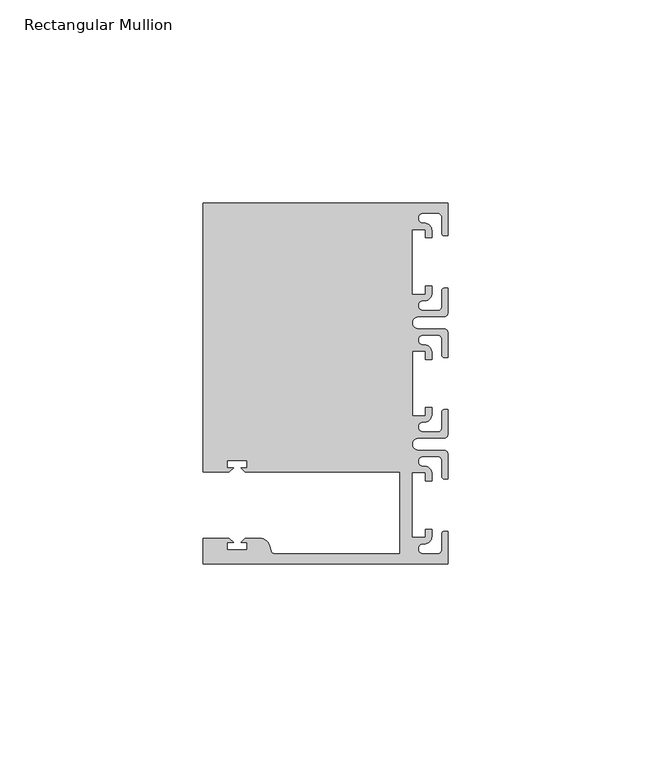
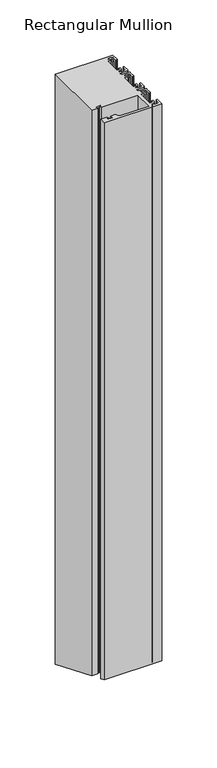
"""IFC4 building model written with IfcOpenShell, lengths in millimetres: member geometry, Rectangular Mullion."""

from ifc_helpers import new_model, si_unit, frame, origin, place, context, project, spatial, polyline, circle_curve, ellipse_curve, source, transform, mapped, element, save
from ifc_brep_helpers import plane_surface, cylinder_surface, revolved_surface, advanced_brep


def rectangular_mullion_aaa263b3(model_context):
    return source(origin(), model_context, "Body", "AdvancedBrep", [
        advanced_brep(
        [(0.0, -44.45, 0.0), (0.0, -36.4500318, 0.0), (-1.0, -36.4500318, 0.0), (-1.5, -36.9500318, 0.0), (-1.5, -40.95, 0.0), (-2.5, -41.95, 0.0), (-6.0499986, -41.95, 0.0), (-5.9027291, -39.4587029, 0.0), (-4.0000054, -37.7499972, 0.0), (-4.0000054, -35.9500318, 0.0), (-5.5, -35.9500318, 0.0), (-5.5, -37.9499972, 0.0), (-8.8585786, -37.9499972, 0.0), (-8.8585786, -21.9499956, 0.0), (-5.5, -21.9499956, 0.0), (-5.5, -23.9499611, 0.0), (-3.9999946, -23.9499611, 0.0), (-3.9999946, -22.0272972, 0.0), (-6.0499986, -20.4499956, 0.0), (-6.0499986, -17.9499929, 0.0), (-2.5, -17.9499929, 0.0), (-1.5, -18.9499929, 0.0), (-1.5, -22.9499611, 0.0), (-1.0, -23.4499611, 0.0), (0.0, -23.4499611, 0.0), (0.0, -17.4499929, 0.0), (-1.0, -16.4499929, 0.0), (-7.3, -16.4499929, 0.0), (-7.3046244, -13.45, 0.0), (-1.0, -13.45, 0.0), (0.0, -12.45, 0.0), (0.0, -6.4500354, 0.0), (-0.9999964, -6.4500354, 0.0), (-1.4999964, -6.9500354, 0.0), (-1.4999964, -10.95, 0.0), (-2.4999964, -11.95, 0.0), (-6.0499986, -11.95, 0.0), (-6.0499986, -9.4499972, 0.0), (-4.0000054, -7.7499972, 0.0), (-4.0000054, -5.9500318, 0.0), (-5.5, -5.9500318, 0.0), (-5.5, -7.9499972, 0.0), (-8.8, -7.9499972, 0.0), (-8.8, 7.9499972, 0.0), (-5.5, 7.9499972, 0.0), (-5.5, 5.9500318, 0.0), (-4.0000054, 5.9500318, 0.0), (-4.0000054, 7.7499972, 0.0), (-6.0499986, 9.4499972, 0.0), (-6.0499986, 11.95, 0.0), (-2.4999964, 11.95, 0.0), (-1.4999964, 10.95, 0.0), (-1.4999964, 6.9500354, 0.0), (-0.9999964, 6.4500354, 0.0), (0.0, 6.4500354, 0.0), (0.0, 12.45, 0.0), (-1.0, 13.45, 0.0), (-7.3046244, 13.45, 0.0), (-7.3, 16.4499929, 0.0), (-1.0, 16.4499929, 0.0), (0.0, 17.4499929, 0.0), (0.0, 23.4499611, 0.0), (-1.0, 23.4499611, 0.0), (-1.5, 22.9499611, 0.0), (-1.5, 18.9499929, 0.0), (-2.5, 17.9499929, 0.0), (-6.0499986, 17.9499929, 0.0), (-6.0499986, 20.4499956, 0.0), (-3.9999946, 22.0272972, 0.0), (-3.9999946, 23.9499611, 0.0), (-5.5, 23.9499611, 0.0), (-5.5, 21.9499956, 0.0), (-8.8585786, 21.9499956, 0.0), (-8.8585786, 37.9499972, 0.0), (-5.5, 37.9499972, 0.0), (-5.5, 35.9500318, 0.0), (-4.0000054, 35.9500318, 0.0), (-4.0000054, 37.7499972, 0.0), (-5.9027291, 39.4587029, 0.0), (-6.0499986, 41.95, 0.0), (-2.5, 41.95, 0.0), (-1.5, 40.95, 0.0), (-1.5, 36.9500318, 0.0), (-1.0, 36.4500318, 0.0), (0.0, 36.4500318, 0.0), (0.0, 44.45, 0.0), (-60.325, 44.45, 0.0), (-60.325, -21.749999, 0.0), (-53.8507562, -21.749999, 0.0), (-52.8507405, -20.7499834, 0.0), (-54.4250134, -20.7499834, 0.0), (-54.4250134, -18.949936, 0.0), (-49.4250186, -18.949936, 0.0), (-49.4250186, -20.7499834, 0.0), (-50.999256, -20.7499834, 0.0), (-49.9992434, -21.7499959, 0.0), (-11.8, -21.7499959, 0.0), (-11.8, -41.95, 0.0), (-42.6099329, -41.95, 0.0), (-43.5758588, -41.2088192, 0.0), (-43.8989707, -40.002949, 0.0), (-46.3137853, -38.1499966, 0.0), (-49.9992503, -38.1499966, 0.0), (-50.999256, -39.1500023, 0.0), (-49.4249831, -39.1500023, 0.0), (-49.4249831, -40.9498819, 0.0), (-54.4249778, -40.9498819, 0.0), (-54.4249778, -39.1500023, 0.0), (-52.8507405, -39.1500023, 0.0), (-53.8507531, -38.1499897, 0.0), (-60.3249977, -38.1499897, 0.0), (-60.3249977, -44.45, 0.0), (0.0, -44.45, -616.5882072), (0.0, -36.4500318, -619.9019025), (-1.0, -36.4500318, -619.9019025), (-1.5, -36.9500318, -619.6947957), (-1.5, -40.95, -618.0379546), (-2.5, -41.95, -617.6237411), (-6.0499986, -41.95, -617.6237411), (-5.9027291, -39.4587029, -618.6556701), (-4.0000054, -37.7499972, -619.3634392), (-4.0000054, -35.9500318, -620.1090093), (-5.5, -35.9500318, -620.1090093), (-5.5, -37.9499972, -619.2805964), (-8.8585786, -37.9499972, -619.2805964), (-8.8585786, -21.9499956, -625.9080141), (-5.5, -21.9499956, -625.9080141), (-5.5, -23.9499611, -625.0796013), (-3.9999946, -23.9499611, -625.0796013), (-3.9999946, -22.0272972, -625.8759947), (-6.0499986, -20.4499956, -626.5293345), (-6.0499986, -17.9499929, -627.5648695), (-2.5, -17.9499929, -627.5648695), (-1.5, -18.9499929, -627.1506559), (-1.5, -22.9499611, -625.4938149), (-1.0, -23.4499611, -625.2867081), (0.0, -23.4499611, -625.2867081), (0.0, -17.4499929, -627.7719763), (-1.0, -16.4499929, -628.1861899), (-7.3, -16.4499929, -628.1861899), (-7.3046244, -13.45, -629.4288276), (-1.0, -13.45, -629.4288276), (0.0, -12.45, -629.8430411), (0.0, -6.4500354, -632.3283079), (-0.9999964, -6.4500354, -632.3283079), (-1.4999964, -6.9500354, -632.1212011), (-1.4999964, -10.95, -630.4643615), (-2.4999964, -11.95, -630.0501479), (-6.0499986, -11.95, -630.0501479), (-6.0499986, -9.4499972, -631.085683), (-4.0000054, -7.7499972, -631.789846), (-4.0000054, -5.9500318, -632.5354161), (-5.5, -5.9500318, -632.5354161), (-5.5, -7.9499972, -631.7070033), (-8.8, -7.9499972, -631.7070033), (-8.8, 7.9499972, -638.2929967), (-5.5, 7.9499972, -638.2929967), (-5.5, 5.9500318, -637.4645839), (-4.0000054, 5.9500318, -637.4645839), (-4.0000054, 7.7499972, -638.210154), (-6.0499986, 9.4499972, -638.914317), (-6.0499986, 11.95, -639.9498521), (-2.4999964, 11.95, -639.9498521), (-1.4999964, 10.95, -639.5356385), (-1.4999964, 6.9500354, -637.8787989), (-0.9999964, 6.4500354, -637.6716921), (0.0, 6.4500354, -637.6716921), (0.0, 12.45, -640.1569589), (-1.0, 13.45, -640.5711724), (-7.3046244, 13.45, -640.5711724), (-7.3, 16.4499929, -641.8138101), (-1.0, 16.4499929, -641.8138101), (0.0, 17.4499929, -642.2280237), (0.0, 23.4499611, -644.7132919), (-1.0, 23.4499611, -644.7132919), (-1.5, 22.9499611, -644.5061851), (-1.5, 18.9499929, -642.8493441), (-2.5, 17.9499929, -642.4351305), (-6.0499986, 17.9499929, -642.4351305), (-6.0499986, 20.4499956, -643.4706655), (-3.9999946, 22.0272972, -644.1240053), (-3.9999946, 23.9499611, -644.9203987), (-5.5, 23.9499611, -644.9203987), (-5.5, 21.9499956, -644.0919859), (-8.8585786, 21.9499956, -644.0919859), (-8.8585786, 37.9499972, -650.7194036), (-5.5, 37.9499972, -650.7194036), (-5.5, 35.9500318, -649.8909907), (-4.0000054, 35.9500318, -649.8909907), (-4.0000054, 37.7499972, -650.6365608), (-5.9027291, 39.4587029, -651.3443299), (-6.0499986, 41.95, -652.3762589), (-2.5, 41.95, -652.3762589), (-1.5, 40.95, -651.9620454), (-1.5, 36.9500318, -650.3052043), (-1.0, 36.4500318, -650.0980975), (0.0, 36.4500318, -650.0980975), (0.0, 44.45, -653.4117928), (-60.325, 44.45, -653.4117928), (-60.325, -21.749999, -625.9908554), (-53.8507562, -21.749999, -625.9908554), (-52.8507405, -20.7499834, -626.4050755), (-54.4250134, -20.7499834, -626.4050755), (-54.4250134, -18.949936, -627.1506795), (-49.4250186, -18.949936, -627.1506795), (-49.4250186, -20.7499834, -626.4050755), (-50.999256, -20.7499834, -626.4050755), (-49.9992434, -21.7499959, -625.9908567), (-11.8, -21.7499959, -625.9908567), (-11.8, -41.95, -617.6237411), (-42.6099329, -41.95, -617.623741), (-43.5758588, -41.2088192, -617.9307482), (-43.8989707, -40.002949, -618.430236), (-46.3137853, -38.1499966, -619.197754), (-49.9992503, -38.1499966, -619.197754), (-50.999256, -39.1500023, -618.7835381), (-49.4249831, -39.1500023, -618.7835381), (-49.4249831, -40.9498819, -618.0380035), (-54.4249778, -40.9498819, -618.0380035), (-54.4249778, -39.1500023, -618.7835381), (-52.8507405, -39.1500023, -618.7835381), (-53.8507531, -38.1499897, -619.1977569), (-60.3249977, -38.1499897, -619.1977569), (-60.3249977, -44.45, -616.5882072)],
        [
            (0, 1),
            (1, 2),
            (2, 3, circle_curve(frame((-1.0, -36.9500318, 0.0), z_axis=(0.0, 0.0, 1.0), x_axis=(0.0, 1.0, 0.0)), 0.5)),
            (3, 4),
            (4, 5, circle_curve(frame((-2.5, -40.95, 0.0), z_axis=(0.0, 0.0, -1.0), x_axis=(0.0, 1.0, 0.0)), 1.0)),
            (5, 6),
            (6, 7, circle_curve(frame((-6.0499986, -40.6999986, 0.0), z_axis=(0.0, 0.0, -1.0), x_axis=(0.0, 1.0, 0.0)), 1.2500014)),
            (7, 8, circle_curve(frame((-5.7186029, -37.7499972, 0.0), z_axis=(0.0, 0.0, 1.0), x_axis=(1.0, 0.0, 0.0)), 1.7185975)),
            (8, 9),
            (9, 10),
            (10, 11),
            (11, 12),
            (12, 13),
            (13, 14),
            (14, 15),
            (15, 16),
            (16, 17),
            (17, 18, circle_curve(frame((-5.7543344, -22.1865598, 0.0), z_axis=(0.0, 0.0, 1.0), x_axis=(1.0, 0.0, 0.0)), 1.761554)),
            (18, 19, circle_curve(frame((-6.0499986, -19.1999942, 0.0), z_axis=(0.0, 0.0, -1.0), x_axis=(0.0, 1.0, 0.0)), 1.2500014)),
            (19, 20),
            (20, 21, circle_curve(frame((-2.5, -18.9499929, 0.0), z_axis=(0.0, 0.0, -1.0), x_axis=(0.0, 1.0, 0.0)), 1.0)),
            (21, 22),
            (22, 23, circle_curve(frame((-1.0, -22.9499611, 0.0), z_axis=(0.0, 0.0, 1.0), x_axis=(0.0, 1.0, 0.0)), 0.5)),
            (23, 24),
            (24, 25),
            (25, 26, circle_curve(frame((-1.0, -17.4499929, 0.0), z_axis=(0.0, 0.0, 1.0), x_axis=(0.0, 1.0, 0.0)), 1.0)),
            (26, 27),
            (27, 28, circle_curve(frame((-7.3, -14.9499929, 0.0), z_axis=(0.0, 0.0, -1.0), x_axis=(0.0, 1.0, 0.0)), 1.5)),
            (28, 29),
            (29, 30, circle_curve(frame((-1.0, -12.45, 0.0), z_axis=(0.0, 0.0, 1.0), x_axis=(0.0, 1.0, 0.0)), 1.0)),
            (30, 31),
            (31, 32),
            (32, 33, circle_curve(frame((-0.9999964, -6.9500354, 0.0), z_axis=(0.0, 0.0, 1.0), x_axis=(0.0, 1.0, 0.0)), 0.5)),
            (33, 34),
            (34, 35, circle_curve(frame((-2.4999964, -10.95, 0.0), z_axis=(0.0, 0.0, -1.0), x_axis=(0.0, 1.0, 0.0)), 1.0)),
            (35, 36),
            (36, 37, circle_curve(frame((-6.0499986, -10.6999986, 0.0), z_axis=(0.0, 0.0, -1.0), x_axis=(0.0, 1.0, 0.0)), 1.2500014)),
            (37, 38, circle_curve(frame((-5.7298824, -7.7499972, 0.0), z_axis=(0.0, 0.0, 1.0), x_axis=(1.0, 0.0, 0.0)), 1.729877)),
            (38, 39),
            (39, 40),
            (40, 41),
            (41, 42),
            (42, 43),
            (43, 44),
            (44, 45),
            (45, 46),
            (46, 47),
            (47, 48, circle_curve(frame((-5.7298824, 7.7499972, 0.0), z_axis=(0.0, 0.0, 1.0), x_axis=(1.0, 0.0, 0.0)), 1.729877)),
            (48, 49, circle_curve(frame((-6.0499986, 10.6999986, 0.0), z_axis=(0.0, 0.0, -1.0), x_axis=(0.0, -1.0, 0.0)), 1.2500014)),
            (49, 50),
            (50, 51, circle_curve(frame((-2.4999964, 10.95, 0.0), z_axis=(0.0, 0.0, -1.0), x_axis=(0.0, -1.0, 0.0)), 1.0)),
            (51, 52),
            (52, 53, circle_curve(frame((-0.9999964, 6.9500354, 0.0), z_axis=(0.0, 0.0, 1.0), x_axis=(0.0, -1.0, 0.0)), 0.5)),
            (53, 54),
            (54, 55),
            (55, 56, circle_curve(frame((-1.0, 12.45, 0.0), z_axis=(0.0, 0.0, 1.0), x_axis=(0.0, -1.0, 0.0)), 1.0)),
            (56, 57),
            (57, 58, circle_curve(frame((-7.3, 14.9499929, 0.0), z_axis=(0.0, 0.0, -1.0), x_axis=(0.0, -1.0, 0.0)), 1.5)),
            (58, 59),
            (59, 60, circle_curve(frame((-1.0, 17.4499929, 0.0), z_axis=(0.0, 0.0, 1.0), x_axis=(0.0, -1.0, 0.0)), 1.0)),
            (60, 61),
            (61, 62),
            (62, 63, circle_curve(frame((-1.0, 22.9499611, 0.0), z_axis=(0.0, 0.0, 1.0), x_axis=(0.0, -1.0, 0.0)), 0.5)),
            (63, 64),
            (64, 65, circle_curve(frame((-2.5, 18.9499929, 0.0), z_axis=(0.0, 0.0, -1.0), x_axis=(0.0, -1.0, 0.0)), 1.0)),
            (65, 66),
            (66, 67, circle_curve(frame((-6.0499986, 19.1999942, 0.0), z_axis=(0.0, 0.0, -1.0), x_axis=(0.0, -1.0, 0.0)), 1.2500014)),
            (67, 68, circle_curve(frame((-5.7543344, 22.1865598, 0.0), z_axis=(0.0, 0.0, 1.0), x_axis=(1.0, 0.0, 0.0)), 1.761554)),
            (68, 69),
            (69, 70),
            (70, 71),
            (71, 72),
            (72, 73),
            (73, 74),
            (74, 75),
            (75, 76),
            (76, 77),
            (77, 78, circle_curve(frame((-5.7186029, 37.7499972, 0.0), z_axis=(0.0, 0.0, 1.0), x_axis=(1.0, 0.0, 0.0)), 1.7185975)),
            (78, 79, circle_curve(frame((-6.0499986, 40.6999986, 0.0), z_axis=(0.0, 0.0, -1.0), x_axis=(0.0, -1.0, 0.0)), 1.2500014)),
            (79, 80),
            (80, 81, circle_curve(frame((-2.5, 40.95, 0.0), z_axis=(0.0, 0.0, -1.0), x_axis=(0.0, -1.0, 0.0)), 1.0)),
            (81, 82),
            (82, 83, circle_curve(frame((-1.0, 36.9500318, 0.0), z_axis=(0.0, 0.0, 1.0), x_axis=(0.0, -1.0, 0.0)), 0.5)),
            (83, 84),
            (84, 85),
            (85, 86),
            (86, 87),
            (87, 88),
            (88, 89),
            (89, 90),
            (90, 91),
            (91, 92),
            (92, 93),
            (93, 94),
            (94, 95),
            (95, 96),
            (96, 97),
            (97, 98),
            (98, 99, circle_curve(frame((-42.6099329, -40.9500001, 0.0), z_axis=(0.0, 0.0, -1.0), x_axis=(0.0, 1.0, 0.0)), 1.0)),
            (99, 100),
            (100, 101, circle_curve(frame((-46.3137853, -40.6499966, 0.0), z_axis=(0.0, 0.0, 1.0), x_axis=(0.0, 1.0, 0.0)), 2.5)),
            (101, 102),
            (102, 103),
            (103, 104),
            (104, 105),
            (105, 106),
            (106, 107),
            (107, 108),
            (108, 109),
            (109, 110),
            (110, 111),
            (111, 0),
            (0, 112),
            (112, 113),
            (113, 1),
            (113, 114),
            (114, 2),
            (114, 115, ellipse_curve(frame((-1.0, -36.9500318, -619.6947957), z_axis=(0.0, 0.38268343236509095, 0.9238795325112864), x_axis=(0.0, -0.9238795325112865, 0.38268343236509045)), 0.5411961, 0.5)),
            (115, 3),
            (115, 116),
            (116, 4),
            (116, 117, ellipse_curve(frame((-2.5, -40.95, -618.0379546), z_axis=(0.0, -0.38268343236509095, -0.9238795325112864), x_axis=(0.0, 0.9238795325112865, -0.38268343236509045)), 1.0823922, 1.0)),
            (117, 5),
            (117, 118),
            (118, 6),
            (118, 119, ellipse_curve(frame((-6.0499986, -40.6999986, -618.1415086), z_axis=(0.0, -0.38268343236509095, -0.9238795325112864), x_axis=(0.0, 0.9238795325112865, -0.38268343236509045)), 1.3529917, 1.2500014)),
            (119, 7),
            (119, 120, ellipse_curve(frame((-5.7186029, -37.7499972, -619.3634392), z_axis=(0.0, 0.38268343236509095, 0.9238795325112864), x_axis=(0.0, -0.9238795325112865, 0.38268343236509045)), 1.8601965, 1.7185975)),
            (120, 8),
            (120, 121),
            (121, 9),
            (121, 122),
            (122, 10),
            (122, 123),
            (123, 11),
            (123, 124),
            (124, 12),
            (124, 125),
            (125, 13),
            (125, 126),
            (126, 14),
            (126, 127),
            (127, 15),
            (127, 128),
            (128, 16),
            (128, 129),
            (129, 17),
            (129, 130, ellipse_curve(frame((-5.7543344, -22.1865598, -625.810026), z_axis=(0.0, 0.38268343236509095, 0.9238795325112864), x_axis=(0.0, -0.9238795325112865, 0.38268343236509045)), 1.9066923, 1.761554)),
            (130, 18),
            (130, 131, ellipse_curve(frame((-6.0499986, -19.1999942, -627.047102), z_axis=(0.0, -0.38268343236509095, -0.9238795325112864), x_axis=(0.0, 0.9238795325112865, -0.38268343236509045)), 1.3529917, 1.2500014)),
            (131, 19),
            (131, 132),
            (132, 20),
            (132, 133, ellipse_curve(frame((-2.5, -18.9499929, -627.1506559), z_axis=(0.0, -0.38268343236509095, -0.9238795325112864), x_axis=(0.0, 0.9238795325112865, -0.38268343236509045)), 1.0823922, 1.0)),
            (133, 21),
            (133, 134),
            (134, 22),
            (134, 135, ellipse_curve(frame((-1.0, -22.9499611, -625.4938149), z_axis=(0.0, 0.38268343236509095, 0.9238795325112864), x_axis=(0.0, -0.9238795325112865, 0.38268343236509045)), 0.5411961, 0.5)),
            (135, 23),
            (135, 136),
            (136, 24),
            (136, 137),
            (137, 25),
            (137, 138, ellipse_curve(frame((-1.0, -17.4499929, -627.7719763), z_axis=(0.0, 0.38268343236509095, 0.9238795325112864), x_axis=(0.0, -0.9238795325112865, 0.38268343236509045)), 1.0823922, 1.0)),
            (138, 26),
            (138, 139),
            (139, 27),
            (139, 140, ellipse_curve(frame((-7.3, -14.9499929, -628.8075102), z_axis=(0.0, -0.38268343236509095, -0.9238795325112864), x_axis=(0.0, 0.9238795325112865, -0.38268343236509045)), 1.6235883, 1.5)),
            (140, 28),
            (140, 141),
            (141, 29),
            (141, 142, ellipse_curve(frame((-1.0, -12.45, -629.8430411), z_axis=(0.0, 0.38268343236509095, 0.9238795325112864), x_axis=(0.0, -0.9238795325112865, 0.38268343236509045)), 1.0823922, 1.0)),
            (142, 30),
            (142, 143),
            (143, 31),
            (143, 144),
            (144, 32),
            (144, 145, ellipse_curve(frame((-0.9999964, -6.9500354, -632.1212011), z_axis=(0.0, 0.38268343236509095, 0.9238795325112864), x_axis=(0.0, -0.9238795325112865, 0.38268343236509045)), 0.5411961, 0.5)),
            (145, 33),
            (145, 146),
            (146, 34),
            (146, 147, ellipse_curve(frame((-2.4999964, -10.95, -630.4643615), z_axis=(0.0, -0.38268343236509095, -0.9238795325112864), x_axis=(0.0, 0.9238795325112865, -0.38268343236509045)), 1.0823922, 1.0)),
            (147, 35),
            (147, 148),
            (148, 36),
            (148, 149, ellipse_curve(frame((-6.0499986, -10.6999986, -630.5679155), z_axis=(0.0, -0.38268343236509095, -0.9238795325112864), x_axis=(0.0, 0.9238795325112865, -0.38268343236509045)), 1.3529917, 1.2500014)),
            (149, 37),
            (149, 150, ellipse_curve(frame((-5.7298824, -7.7499972, -631.789846), z_axis=(0.0, 0.38268343236509095, 0.9238795325112864), x_axis=(0.0, -0.9238795325112865, 0.38268343236509045)), 1.8724054, 1.729877)),
            (150, 38),
            (150, 151),
            (151, 39),
            (151, 152),
            (152, 40),
            (152, 153),
            (153, 41),
            (153, 154),
            (154, 42),
            (154, 155),
            (155, 43),
            (155, 156),
            (156, 44),
            (156, 157),
            (157, 45),
            (157, 158),
            (158, 46),
            (158, 159),
            (159, 47),
            (159, 160, ellipse_curve(frame((-5.7298824, 7.7499972, -638.210154), z_axis=(0.0, 0.38268343236509095, 0.9238795325112864), x_axis=(0.0, -0.9238795325112865, 0.38268343236509045)), 1.8724054, 1.729877)),
            (160, 48),
            (160, 161, ellipse_curve(frame((-6.0499986, 10.6999986, -639.4320845), z_axis=(0.0, -0.38268343236509095, -0.9238795325112864), x_axis=(0.0, 0.9238795325112865, -0.38268343236509045)), 1.3529917, 1.2500014)),
            (161, 49),
            (161, 162),
            (162, 50),
            (162, 163, ellipse_curve(frame((-2.4999964, 10.95, -639.5356385), z_axis=(0.0, -0.38268343236509095, -0.9238795325112864), x_axis=(0.0, 0.9238795325112865, -0.38268343236509045)), 1.0823922, 1.0)),
            (163, 51),
            (163, 164),
            (164, 52),
            (164, 165, ellipse_curve(frame((-0.9999964, 6.9500354, -637.8787989), z_axis=(0.0, 0.38268343236509095, 0.9238795325112864), x_axis=(0.0, -0.9238795325112865, 0.38268343236509045)), 0.5411961, 0.5)),
            (165, 53),
            (165, 166),
            (166, 54),
            (166, 167),
            (167, 55),
            (167, 168, ellipse_curve(frame((-1.0, 12.45, -640.1569589), z_axis=(0.0, 0.38268343236509095, 0.9238795325112864), x_axis=(0.0, -0.9238795325112865, 0.38268343236509045)), 1.0823922, 1.0)),
            (168, 56),
            (168, 169),
            (169, 57),
            (169, 170, ellipse_curve(frame((-7.3, 14.9499929, -641.1924898), z_axis=(0.0, -0.38268343236509095, -0.9238795325112864), x_axis=(0.0, 0.9238795325112865, -0.38268343236509045)), 1.6235883, 1.5)),
            (170, 58),
            (170, 171),
            (171, 59),
            (171, 172, ellipse_curve(frame((-1.0, 17.4499929, -642.2280237), z_axis=(0.0, 0.38268343236509095, 0.9238795325112864), x_axis=(0.0, -0.9238795325112865, 0.38268343236509045)), 1.0823922, 1.0)),
            (172, 60),
            (172, 173),
            (173, 61),
            (173, 174),
            (174, 62),
            (174, 175, ellipse_curve(frame((-1.0, 22.9499611, -644.5061851), z_axis=(0.0, 0.38268343236509095, 0.9238795325112864), x_axis=(0.0, -0.9238795325112865, 0.38268343236509045)), 0.5411961, 0.5)),
            (175, 63),
            (175, 176),
            (176, 64),
            (176, 177, ellipse_curve(frame((-2.5, 18.9499929, -642.8493441), z_axis=(0.0, -0.38268343236509095, -0.9238795325112864), x_axis=(0.0, 0.9238795325112865, -0.38268343236509045)), 1.0823922, 1.0)),
            (177, 65),
            (177, 178),
            (178, 66),
            (178, 179, ellipse_curve(frame((-6.0499986, 19.1999942, -642.952898), z_axis=(0.0, -0.38268343236509095, -0.9238795325112864), x_axis=(0.0, 0.9238795325112865, -0.38268343236509045)), 1.3529917, 1.2500014)),
            (179, 67),
            (179, 180, ellipse_curve(frame((-5.7543344, 22.1865598, -644.189974), z_axis=(0.0, 0.38268343236509095, 0.9238795325112864), x_axis=(0.0, -0.9238795325112865, 0.38268343236509045)), 1.9066923, 1.761554)),
            (180, 68),
            (180, 181),
            (181, 69),
            (181, 182),
            (182, 70),
            (182, 183),
            (183, 71),
            (183, 184),
            (184, 72),
            (184, 185),
            (185, 73),
            (185, 186),
            (186, 74),
            (186, 187),
            (187, 75),
            (187, 188),
            (188, 76),
            (188, 189),
            (189, 77),
            (189, 190, ellipse_curve(frame((-5.7186029, 37.7499972, -650.6365608), z_axis=(0.0, 0.38268343236509095, 0.9238795325112864), x_axis=(0.0, -0.9238795325112865, 0.38268343236509045)), 1.8601965, 1.7185975)),
            (190, 78),
            (190, 191, ellipse_curve(frame((-6.0499986, 40.6999986, -651.8584914), z_axis=(0.0, -0.38268343236509095, -0.9238795325112864), x_axis=(0.0, 0.9238795325112865, -0.38268343236509045)), 1.3529917, 1.2500014)),
            (191, 79),
            (191, 192),
            (192, 80),
            (192, 193, ellipse_curve(frame((-2.5, 40.95, -651.9620454), z_axis=(0.0, -0.38268343236509095, -0.9238795325112864), x_axis=(0.0, 0.9238795325112865, -0.38268343236509045)), 1.0823922, 1.0)),
            (193, 81),
            (193, 194),
            (194, 82),
            (194, 195, ellipse_curve(frame((-1.0, 36.9500318, -650.3052043), z_axis=(0.0, 0.38268343236509095, 0.9238795325112864), x_axis=(0.0, -0.9238795325112865, 0.38268343236509045)), 0.5411961, 0.5)),
            (195, 83),
            (195, 196),
            (196, 84),
            (196, 197),
            (197, 85),
            (197, 198),
            (198, 86),
            (198, 199),
            (199, 87),
            (199, 200),
            (200, 88),
            (200, 201),
            (201, 89),
            (201, 202),
            (202, 90),
            (202, 203),
            (203, 91),
            (203, 204),
            (204, 92),
            (204, 205),
            (205, 93),
            (205, 206),
            (206, 94),
            (206, 207),
            (207, 95),
            (207, 208),
            (208, 96),
            (208, 209),
            (209, 97),
            (209, 210),
            (210, 98),
            (210, 211, ellipse_curve(frame((-42.6099329, -40.9500001, -618.0379546), z_axis=(0.0, -0.38268343236509095, -0.9238795325112864), x_axis=(0.0, 0.9238795325112865, -0.38268343236509045)), 1.0823922, 1.0)),
            (211, 99),
            (211, 212),
            (212, 100),
            (212, 213, ellipse_curve(frame((-46.3137853, -40.6499966, -618.1622201), z_axis=(0.0, 0.38268343236509095, 0.9238795325112864), x_axis=(0.0, -0.9238795325112865, 0.38268343236509045)), 2.7059805, 2.5)),
            (213, 101),
            (213, 214),
            (214, 102),
            (214, 215),
            (215, 103),
            (215, 216),
            (216, 104),
            (216, 217),
            (217, 105),
            (217, 218),
            (218, 106),
            (218, 219),
            (219, 107),
            (219, 220),
            (220, 108),
            (220, 221),
            (221, 109),
            (221, 222),
            (222, 110),
            (222, 223),
            (223, 111),
            (223, 112),
        ],
        [
            plane_surface(frame((0.0, -74.9326906, 0.0), z_axis=(0.0, 0.0, 1.0), x_axis=(-1.0, 0.0, 0.0))),
            plane_surface(frame((0.0, -44.45, 0.0), z_axis=(1.0, 0.0, 0.0), x_axis=(0.0, 0.0, -1.0))),
            plane_surface(frame((0.0, -36.4500318, 0.0), z_axis=(0.0, 1.0, 0.0), x_axis=(0.0, 0.0, -1.0))),
            cylinder_surface(frame((-1.0, -36.9500318, 0.0), z_axis=(0.0, 0.0, 1.0), x_axis=(0.0, 1.0, 0.0)), 0.5),
            plane_surface(frame((-1.5, -36.9500318, 0.0), z_axis=(-1.0, 0.0, 0.0), x_axis=(0.0, 0.0, -1.0))),
            revolved_surface(polyline([(-2.5, -39.95, -618.4521681622613), (-2.5, -39.95, 0.0)]), (-2.5, -40.95, 0.0), (0.0, 0.0, -1.0)),
            plane_surface(frame((-2.5, -41.95, 0.0), z_axis=(0.0, 1.0, 0.0), x_axis=(0.0, 0.0, -1.0))),
            revolved_surface(polyline([(-6.0499986, -39.4499972, -618.6592761077175), (-6.0499986, -39.4499972, 0.0)]), (-6.0499986, -40.6999986, 0.0), (0.0, 0.0, -1.0)),
            cylinder_surface(frame((-5.7186029, -37.7499972, 0.0), z_axis=(0.0, 0.0, 1.0), x_axis=(1.0, 0.0, 0.0)), 1.7185975),
            plane_surface(frame((-4.0000054, -37.7499972, 0.0), z_axis=(1.0, 0.0, 0.0), x_axis=(0.0, 0.0, -1.0))),
            plane_surface(frame((-4.0000054, -35.9500318, 0.0), z_axis=(0.0, 1.0, 0.0), x_axis=(0.0, 0.0, -1.0))),
            plane_surface(frame((-5.5, -35.9500318, 0.0), z_axis=(-1.0, 0.0, 0.0), x_axis=(0.0, 0.0, -1.0))),
            plane_surface(frame((-5.5, -37.9499972, 0.0), z_axis=(0.0, 1.0, 0.0), x_axis=(0.0, 0.0, -1.0))),
            plane_surface(frame((-8.8585786, -37.9499972, 0.0), z_axis=(1.0, 0.0, 0.0), x_axis=(0.0, 0.0, -1.0))),
            plane_surface(frame((-8.8585786, -21.9499956, 0.0), z_axis=(0.0, -1.0, 0.0), x_axis=(0.0, 0.0, -1.0))),
            plane_surface(frame((-5.5, -21.9499956, 0.0), z_axis=(-1.0, 0.0, 0.0), x_axis=(0.0, 0.0, -1.0))),
            plane_surface(frame((-5.5, -23.9499611, 0.0), z_axis=(0.0, -1.0, 0.0), x_axis=(0.0, 0.0, -1.0))),
            plane_surface(frame((-3.9999946, -23.9499611, 0.0), z_axis=(1.0, 0.0, 0.0), x_axis=(0.0, 0.0, -1.0))),
            cylinder_surface(frame((-5.7543344, -22.1865598, 0.0), z_axis=(0.0, 0.0, 1.0), x_axis=(1.0, 0.0, 0.0)), 1.761554),
            revolved_surface(polyline([(-6.0499986, -17.9499928, -627.5648695077175), (-6.0499986, -17.9499928, 0.0)]), (-6.0499986, -19.1999942, 0.0), (0.0, 0.0, -1.0)),
            plane_surface(frame((-6.0499986, -17.9499929, 0.0), z_axis=(0.0, -1.0, 0.0), x_axis=(0.0, 0.0, -1.0))),
            revolved_surface(polyline([(-2.5, -17.9499929, -627.5648695), (-2.5, -17.9499929, 0.0)]), (-2.5, -18.9499929, 0.0), (0.0, 0.0, -1.0)),
            plane_surface(frame((-1.5, -18.9499929, 0.0), z_axis=(-1.0, 0.0, 0.0), x_axis=(0.0, 0.0, -1.0))),
            cylinder_surface(frame((-1.0, -22.9499611, 0.0), z_axis=(0.0, 0.0, 1.0), x_axis=(0.0, 1.0, 0.0)), 0.5),
            plane_surface(frame((-1.0, -23.4499611, 0.0), z_axis=(0.0, -1.0, 0.0), x_axis=(0.0, 0.0, -1.0))),
            plane_surface(frame((0.0, -23.4499611, 0.0), z_axis=(1.0, 0.0, 0.0), x_axis=(0.0, 0.0, -1.0))),
            cylinder_surface(frame((-1.0, -17.4499929, 0.0), z_axis=(0.0, 0.0, 1.0), x_axis=(0.0, 1.0, 0.0)), 1.0),
            plane_surface(frame((-1.0, -16.4499929, 0.0), z_axis=(0.0, 1.0, 0.0), x_axis=(0.0, 0.0, -1.0))),
            revolved_surface(polyline([(-7.3, -13.4499929, -629.4288305433919), (-7.3, -13.4499929, 0.0)]), (-7.3, -14.9499929, 0.0), (0.0, 0.0, -1.0)),
            plane_surface(frame((-7.3046244, -13.45, 0.0), z_axis=(0.0, -1.0, 0.0), x_axis=(0.0, 0.0, -1.0))),
            cylinder_surface(frame((-1.0, -12.45, 0.0), z_axis=(0.0, 0.0, 1.0), x_axis=(0.0, 1.0, 0.0)), 1.0),
            plane_surface(frame((0.0, -12.45, 0.0), z_axis=(1.0, 0.0, 0.0), x_axis=(0.0, 0.0, -1.0))),
            plane_surface(frame((0.0, -6.4500354, 0.0), z_axis=(0.0, 1.0, 0.0), x_axis=(0.0, 0.0, -1.0))),
            cylinder_surface(frame((-0.9999964, -6.9500354, 0.0), z_axis=(0.0, 0.0, 1.0), x_axis=(0.0, 1.0, 0.0)), 0.5),
            plane_surface(frame((-1.4999964, -6.9500354, 0.0), z_axis=(-1.0, 0.0, 0.0), x_axis=(0.0, 0.0, -1.0))),
            revolved_surface(polyline([(-2.4999964, -9.95, -630.8785750622612), (-2.4999964, -9.95, 0.0)]), (-2.4999964, -10.95, 0.0), (0.0, 0.0, -1.0)),
            plane_surface(frame((-2.4999964, -11.95, 0.0), z_axis=(0.0, 1.0, 0.0), x_axis=(0.0, 0.0, -1.0))),
            revolved_surface(polyline([(-6.0499986, -9.4499972, -631.0856830077175), (-6.0499986, -9.4499972, 0.0)]), (-6.0499986, -10.6999986, 0.0), (0.0, 0.0, -1.0)),
            cylinder_surface(frame((-5.7298824, -7.7499972, 0.0), z_axis=(0.0, 0.0, 1.0), x_axis=(1.0, 0.0, 0.0)), 1.729877),
            plane_surface(frame((-4.0000054, -7.7499972, 0.0), z_axis=(1.0, 0.0, 0.0), x_axis=(0.0, 0.0, -1.0))),
            plane_surface(frame((-4.0000054, -5.9500318, 0.0), z_axis=(0.0, 1.0, 0.0), x_axis=(0.0, 0.0, -1.0))),
            plane_surface(frame((-5.5, -5.9500318, 0.0), z_axis=(-1.0, 0.0, 0.0), x_axis=(0.0, 0.0, -1.0))),
            plane_surface(frame((-5.5, -7.9499972, 0.0), z_axis=(0.0, 1.0, 0.0), x_axis=(0.0, 0.0, -1.0))),
            plane_surface(frame((-8.8, -7.9499972, 0.0), z_axis=(1.0, 0.0, 0.0), x_axis=(0.0, 0.0, -1.0))),
            plane_surface(frame((-8.8, 7.9499972, 0.0), z_axis=(0.0, -1.0, 0.0), x_axis=(0.0, 0.0, -1.0))),
            plane_surface(frame((-5.5, 7.9499972, 0.0), z_axis=(-1.0, 0.0, 0.0), x_axis=(0.0, 0.0, -1.0))),
            plane_surface(frame((-5.5, 5.9500318, 0.0), z_axis=(0.0, -1.0, 0.0), x_axis=(0.0, 0.0, -1.0))),
            plane_surface(frame((-4.0000054, 5.9500318, 0.0), z_axis=(1.0, 0.0, 0.0), x_axis=(0.0, 0.0, -1.0))),
            cylinder_surface(frame((-5.7298824, 7.7499972, 0.0), z_axis=(0.0, 0.0, 1.0), x_axis=(1.0, 0.0, 0.0)), 1.729877),
            revolved_surface(polyline([(-6.0499986, 9.4499972, -639.9498521), (-6.0499986, 9.4499972, 0.0)]), (-6.0499986, 10.6999986, 0.0), (0.0, 0.0, -1.0)),
            plane_surface(frame((-6.0499986, 11.95, 0.0), z_axis=(0.0, -1.0, 0.0), x_axis=(0.0, 0.0, -1.0))),
            revolved_surface(polyline([(-2.4999964, 9.95, -639.9498521), (-2.4999964, 9.95, 0.0)]), (-2.4999964, 10.95, 0.0), (0.0, 0.0, -1.0)),
            plane_surface(frame((-1.4999964, 10.95, 0.0), z_axis=(-1.0, 0.0, 0.0), x_axis=(0.0, 0.0, -1.0))),
            cylinder_surface(frame((-0.9999964, 6.9500354, 0.0), z_axis=(0.0, 0.0, 1.0), x_axis=(0.0, -1.0, 0.0)), 0.5),
            plane_surface(frame((-0.9999964, 6.4500354, 0.0), z_axis=(0.0, -1.0, 0.0), x_axis=(0.0, 0.0, -1.0))),
            plane_surface(frame((0.0, 6.4500354, 0.0), z_axis=(1.0, 0.0, 0.0), x_axis=(0.0, 0.0, -1.0))),
            cylinder_surface(frame((-1.0, 12.45, 0.0), z_axis=(0.0, 0.0, 1.0), x_axis=(0.0, -1.0, 0.0)), 1.0),
            plane_surface(frame((-1.0, 13.45, 0.0), z_axis=(0.0, 1.0, 0.0), x_axis=(0.0, 0.0, -1.0))),
            revolved_surface(polyline([(-7.3, 13.4499929, -641.8138101433918), (-7.3, 13.4499929, 0.0)]), (-7.3, 14.9499929, 0.0), (0.0, 0.0, -1.0)),
            plane_surface(frame((-7.3, 16.4499929, 0.0), z_axis=(0.0, -1.0, 0.0), x_axis=(0.0, 0.0, -1.0))),
            cylinder_surface(frame((-1.0, 17.4499929, 0.0), z_axis=(0.0, 0.0, 1.0), x_axis=(0.0, -1.0, 0.0)), 1.0),
            plane_surface(frame((0.0, 17.4499929, 0.0), z_axis=(1.0, 0.0, 0.0), x_axis=(0.0, 0.0, -1.0))),
            plane_surface(frame((0.0, 23.4499611, 0.0), z_axis=(0.0, 1.0, 0.0), x_axis=(0.0, 0.0, -1.0))),
            cylinder_surface(frame((-1.0, 22.9499611, 0.0), z_axis=(0.0, 0.0, 1.0), x_axis=(0.0, -1.0, 0.0)), 0.5),
            plane_surface(frame((-1.5, 22.9499611, 0.0), z_axis=(-1.0, 0.0, 0.0), x_axis=(0.0, 0.0, -1.0))),
            revolved_surface(polyline([(-2.5, 17.9499929, -643.2635576622613), (-2.5, 17.9499929, 0.0)]), (-2.5, 18.9499929, 0.0), (0.0, 0.0, -1.0)),
            plane_surface(frame((-2.5, 17.9499929, 0.0), z_axis=(0.0, 1.0, 0.0), x_axis=(0.0, 0.0, -1.0))),
            revolved_surface(polyline([(-6.0499986, 17.9499928, -643.4706655077175), (-6.0499986, 17.9499928, 0.0)]), (-6.0499986, 19.1999942, 0.0), (0.0, 0.0, -1.0)),
            cylinder_surface(frame((-5.7543344, 22.1865598, 0.0), z_axis=(0.0, 0.0, 1.0), x_axis=(1.0, 0.0, 0.0)), 1.761554),
            plane_surface(frame((-3.9999946, 22.0272972, 0.0), z_axis=(1.0, 0.0, 0.0), x_axis=(0.0, 0.0, -1.0))),
            plane_surface(frame((-3.9999946, 23.9499611, 0.0), z_axis=(0.0, 1.0, 0.0), x_axis=(0.0, 0.0, -1.0))),
            plane_surface(frame((-5.5, 23.9499611, 0.0), z_axis=(-1.0, 0.0, 0.0), x_axis=(0.0, 0.0, -1.0))),
            plane_surface(frame((-5.5, 21.9499956, 0.0), z_axis=(0.0, 1.0, 0.0), x_axis=(0.0, 0.0, -1.0))),
            plane_surface(frame((-8.8585786, 21.9499956, 0.0), z_axis=(1.0, 0.0, 0.0), x_axis=(0.0, 0.0, -1.0))),
            plane_surface(frame((-8.8585786, 37.9499972, 0.0), z_axis=(0.0, -1.0, 0.0), x_axis=(0.0, 0.0, -1.0))),
            plane_surface(frame((-5.5, 37.9499972, 0.0), z_axis=(-1.0, 0.0, 0.0), x_axis=(0.0, 0.0, -1.0))),
            plane_surface(frame((-5.5, 35.9500318, 0.0), z_axis=(0.0, -1.0, 0.0), x_axis=(0.0, 0.0, -1.0))),
            plane_surface(frame((-4.0000054, 35.9500318, 0.0), z_axis=(1.0, 0.0, 0.0), x_axis=(0.0, 0.0, -1.0))),
            cylinder_surface(frame((-5.7186029, 37.7499972, 0.0), z_axis=(0.0, 0.0, 1.0), x_axis=(1.0, 0.0, 0.0)), 1.7185975),
            revolved_surface(polyline([(-6.0499986, 39.4499972, -652.3762589077176), (-6.0499986, 39.4499972, 0.0)]), (-6.0499986, 40.6999986, 0.0), (0.0, 0.0, -1.0)),
            plane_surface(frame((-6.0499986, 41.95, 0.0), z_axis=(0.0, -1.0, 0.0), x_axis=(0.0, 0.0, -1.0))),
            revolved_surface(polyline([(-2.5, 39.95, -652.3762589622612), (-2.5, 39.95, 0.0)]), (-2.5, 40.95, 0.0), (0.0, 0.0, -1.0)),
            plane_surface(frame((-1.5, 40.95, 0.0), z_axis=(-1.0, 0.0, 0.0), x_axis=(0.0, 0.0, -1.0))),
            cylinder_surface(frame((-1.0, 36.9500318, 0.0), z_axis=(0.0, 0.0, 1.0), x_axis=(0.0, -1.0, 0.0)), 0.5),
            plane_surface(frame((-1.0, 36.4500318, 0.0), z_axis=(0.0, -1.0, 0.0), x_axis=(0.0, 0.0, -1.0))),
            plane_surface(frame((0.0, 36.4500318, 0.0), z_axis=(1.0, 0.0, 0.0), x_axis=(0.0, 0.0, -1.0))),
            plane_surface(frame((0.0, 44.45, 0.0), z_axis=(0.0, 1.0, 0.0), x_axis=(0.0, 0.0, -1.0))),
            plane_surface(frame((-60.325, 44.45, 0.0), z_axis=(-1.0, 0.0, 0.0), x_axis=(0.0, 0.0, -1.0))),
            plane_surface(frame((-60.325, -21.749999, 0.0), z_axis=(0.0, -1.0, 0.0), x_axis=(0.0, 0.0, -1.0))),
            plane_surface(frame((-53.8507562, -21.749999, 0.0), z_axis=(0.7071067811865472, -0.7071067811865479, 0.0), x_axis=(0.0, 0.0, -1.0))),
            plane_surface(frame((-52.8507405, -20.7499834, 0.0), z_axis=(0.0, 1.0, 0.0), x_axis=(0.0, 0.0, -1.0))),
            plane_surface(frame((-54.4250134, -20.7499834, 0.0), z_axis=(1.0, 0.0, 0.0), x_axis=(0.0, 0.0, -1.0))),
            plane_surface(frame((-54.4250134, -18.949936, 0.0), z_axis=(0.0, -1.0, 0.0), x_axis=(0.0, 0.0, -1.0))),
            plane_surface(frame((-49.4250186, -18.949936, 0.0), z_axis=(-1.0, 0.0, 0.0), x_axis=(0.0, 0.0, -1.0))),
            plane_surface(frame((-49.4250186, -20.7499834, 0.0), z_axis=(0.0, 1.0, 0.0), x_axis=(0.0, 0.0, -1.0))),
            plane_surface(frame((-50.999256, -20.7499834, 0.0), z_axis=(-0.7071067811865492, -0.7071067811865459, 0.0), x_axis=(0.0, 0.0, -1.0))),
            plane_surface(frame((-49.9992434, -21.7499959, 0.0), z_axis=(0.0, -1.0, 0.0), x_axis=(0.0, 0.0, -1.0))),
            plane_surface(frame((-11.8, -21.7499959, 0.0), z_axis=(-1.0, 0.0, 0.0), x_axis=(0.0, 0.0, -1.0))),
            plane_surface(frame((-11.8, -41.95, 0.0), z_axis=(0.0, 1.0, 0.0), x_axis=(0.0, 0.0, -1.0))),
            revolved_surface(polyline([(-42.6099329, -39.9500001, -618.4521681622613), (-42.6099329, -39.9500001, 0.0)]), (-42.6099329, -40.9500001, 0.0), (0.0, 0.0, -1.0)),
            plane_surface(frame((-43.5758588, -41.2088192, 0.0), z_axis=(0.965925826289163, 0.2588190451021675, 0.0), x_axis=(0.0, 0.0, -1.0))),
            cylinder_surface(frame((-46.3137853, -40.6499966, 0.0), z_axis=(0.0, 0.0, 1.0), x_axis=(0.0, 1.0, 0.0)), 2.5),
            plane_surface(frame((-46.3137853, -38.1499966, 0.0), z_axis=(0.0, 1.0, 0.0), x_axis=(0.0, 0.0, -1.0))),
            plane_surface(frame((-49.9992503, -38.1499966, 0.0), z_axis=(-0.7071067811865469, 0.7071067811865481, 0.0), x_axis=(0.0, 0.0, -1.0))),
            plane_surface(frame((-50.999256, -39.1500023, 0.0), z_axis=(0.0, -1.0, 0.0), x_axis=(0.0, 0.0, -1.0))),
            plane_surface(frame((-49.4249831, -39.1500023, 0.0), z_axis=(-1.0, 0.0, 0.0), x_axis=(0.0, 0.0, -1.0))),
            plane_surface(frame((-49.4249831, -40.9498819, 0.0), z_axis=(0.0, 1.0, 0.0), x_axis=(0.0, 0.0, -1.0))),
            plane_surface(frame((-54.4249778, -40.9498819, 0.0), z_axis=(1.0, 0.0, 0.0), x_axis=(0.0, 0.0, -1.0))),
            plane_surface(frame((-54.4249778, -39.1500023, 0.0), z_axis=(0.0, -1.0, 0.0), x_axis=(0.0, 0.0, -1.0))),
            plane_surface(frame((-52.8507405, -39.1500023, 0.0), z_axis=(0.7071067811865492, 0.7071067811865459, 0.0), x_axis=(0.0, 0.0, -1.0))),
            plane_surface(frame((-53.8507531, -38.1499897, 0.0), z_axis=(0.0, 1.0, 0.0), x_axis=(0.0, 0.0, -1.0))),
            plane_surface(frame((-60.3249977, -38.1499897, 0.0), z_axis=(-1.0, 0.0, 0.0), x_axis=(0.0, 0.0, -1.0))),
            plane_surface(frame((-60.3249977, -44.45, 0.0), z_axis=(0.0, -1.0, 0.0), x_axis=(0.0, 0.0, -1.0))),
            plane_surface(frame((304.8, 0.0, -635.0), z_axis=(0.0, -0.38268343236509095, -0.9238795325112864), x_axis=(0.0, -0.9238795325112864, 0.38268343236509095))),
        ],
        [
            (0, [[1, 2, 3, 4, 5, 6, 7, 8, 9, 10, 11, 12, 13, 14, 15, 16, 17, 18, 19, 20, 21, 22, 23, 24, 25, 26, 27, 28, 29, 30, 31, 32, 33, 34, 35, 36, 37, 38, 39, 40, 41, 42, 43, 44, 45, 46, 47, 48, 49, 50, 51, 52, 53, 54, 55, 56, 57, 58, 59, 60, 61, 62, 63, 64, 65, 66, 67, 68, 69, 70, 71, 72, 73, 74, 75, 76, 77, 78, 79, 80, 81, 82, 83, 84, 85, 86, 87, 88, 89, 90, 91, 92, 93, 94, 95, 96, 97, 98, 99, 100, 101, 102, 103, 104, 105, 106, 107, 108, 109, 110, 111, 112]]),
            (1, [[-1, 113, 114, 115]]),
            (2, [[-2, -115, 116, 117]]),
            (3, [[-3, -117, 118, 119]]),
            (4, [[-4, -119, 120, 121]]),
            (5, [[-5, -121, 122, 123]]),
            (6, [[-6, -123, 124, 125]]),
            (7, [[-7, -125, 126, 127]]),
            (8, [[-8, -127, 128, 129]]),
            (9, [[-9, -129, 130, 131]]),
            (10, [[-10, -131, 132, 133]]),
            (11, [[-11, -133, 134, 135]]),
            (12, [[-12, -135, 136, 137]]),
            (13, [[-13, -137, 138, 139]]),
            (14, [[-14, -139, 140, 141]]),
            (15, [[-15, -141, 142, 143]]),
            (16, [[-16, -143, 144, 145]]),
            (17, [[-17, -145, 146, 147]]),
            (18, [[-18, -147, 148, 149]]),
            (19, [[-19, -149, 150, 151]]),
            (20, [[-20, -151, 152, 153]]),
            (21, [[-21, -153, 154, 155]]),
            (22, [[-22, -155, 156, 157]]),
            (23, [[-23, -157, 158, 159]]),
            (24, [[-24, -159, 160, 161]]),
            (25, [[-25, -161, 162, 163]]),
            (26, [[-26, -163, 164, 165]]),
            (27, [[-27, -165, 166, 167]]),
            (28, [[-28, -167, 168, 169]]),
            (29, [[-29, -169, 170, 171]]),
            (30, [[-30, -171, 172, 173]]),
            (31, [[-31, -173, 174, 175]]),
            (32, [[-32, -175, 176, 177]]),
            (33, [[-33, -177, 178, 179]]),
            (34, [[-34, -179, 180, 181]]),
            (35, [[-35, -181, 182, 183]]),
            (36, [[-36, -183, 184, 185]]),
            (37, [[-37, -185, 186, 187]]),
            (38, [[-38, -187, 188, 189]]),
            (39, [[-39, -189, 190, 191]]),
            (40, [[-40, -191, 192, 193]]),
            (41, [[-41, -193, 194, 195]]),
            (42, [[-42, -195, 196, 197]]),
            (43, [[-43, -197, 198, 199]]),
            (44, [[-44, -199, 200, 201]]),
            (45, [[-45, -201, 202, 203]]),
            (46, [[-46, -203, 204, 205]]),
            (47, [[-47, -205, 206, 207]]),
            (48, [[-48, -207, 208, 209]]),
            (49, [[-49, -209, 210, 211]]),
            (50, [[-50, -211, 212, 213]]),
            (51, [[-51, -213, 214, 215]]),
            (52, [[-52, -215, 216, 217]]),
            (53, [[-53, -217, 218, 219]]),
            (54, [[-54, -219, 220, 221]]),
            (55, [[-55, -221, 222, 223]]),
            (56, [[-56, -223, 224, 225]]),
            (57, [[-57, -225, 226, 227]]),
            (58, [[-58, -227, 228, 229]]),
            (59, [[-59, -229, 230, 231]]),
            (60, [[-60, -231, 232, 233]]),
            (61, [[-61, -233, 234, 235]]),
            (62, [[-62, -235, 236, 237]]),
            (63, [[-63, -237, 238, 239]]),
            (64, [[-64, -239, 240, 241]]),
            (65, [[-65, -241, 242, 243]]),
            (66, [[-66, -243, 244, 245]]),
            (67, [[-67, -245, 246, 247]]),
            (68, [[-68, -247, 248, 249]]),
            (69, [[-69, -249, 250, 251]]),
            (70, [[-70, -251, 252, 253]]),
            (71, [[-71, -253, 254, 255]]),
            (72, [[-72, -255, 256, 257]]),
            (73, [[-73, -257, 258, 259]]),
            (74, [[-74, -259, 260, 261]]),
            (75, [[-75, -261, 262, 263]]),
            (76, [[-76, -263, 264, 265]]),
            (77, [[-77, -265, 266, 267]]),
            (78, [[-78, -267, 268, 269]]),
            (79, [[-79, -269, 270, 271]]),
            (80, [[-80, -271, 272, 273]]),
            (81, [[-81, -273, 274, 275]]),
            (82, [[-82, -275, 276, 277]]),
            (83, [[-83, -277, 278, 279]]),
            (84, [[-84, -279, 280, 281]]),
            (85, [[-85, -281, 282, 283]]),
            (86, [[-86, -283, 284, 285]]),
            (87, [[-87, -285, 286, 287]]),
            (88, [[-88, -287, 288, 289]]),
            (89, [[-89, -289, 290, 291]]),
            (90, [[-90, -291, 292, 293]]),
            (91, [[-91, -293, 294, 295]]),
            (92, [[-92, -295, 296, 297]]),
            (93, [[-93, -297, 298, 299]]),
            (94, [[-94, -299, 300, 301]]),
            (95, [[-95, -301, 302, 303]]),
            (96, [[-96, -303, 304, 305]]),
            (97, [[-97, -305, 306, 307]]),
            (98, [[-98, -307, 308, 309]]),
            (99, [[-99, -309, 310, 311]]),
            (100, [[-100, -311, 312, 313]]),
            (101, [[-101, -313, 314, 315]]),
            (102, [[-102, -315, 316, 317]]),
            (103, [[-103, -317, 318, 319]]),
            (104, [[-104, -319, 320, 321]]),
            (105, [[-105, -321, 322, 323]]),
            (106, [[-106, -323, 324, 325]]),
            (107, [[-107, -325, 326, 327]]),
            (108, [[-108, -327, 328, 329]]),
            (109, [[-109, -329, 330, 331]]),
            (110, [[-110, -331, 332, 333]]),
            (111, [[-111, -333, 334, 335]]),
            (112, [[-112, -335, 336, -113]]),
            (113, [[-336, -334, -332, -330, -328, -326, -324, -322, -320, -318, -316, -314, -312, -310, -308, -306, -304, -302, -300, -298, -296, -294, -292, -290, -288, -286, -284, -282, -280, -278, -276, -274, -272, -270, -268, -266, -264, -262, -260, -258, -256, -254, -252, -250, -248, -246, -244, -242, -240, -238, -236, -234, -232, -230, -228, -226, -224, -222, -220, -218, -216, -214, -212, -210, -208, -206, -204, -202, -200, -198, -196, -194, -192, -190, -188, -186, -184, -182, -180, -178, -176, -174, -172, -170, -168, -166, -164, -162, -160, -158, -156, -154, -152, -150, -148, -146, -144, -142, -140, -138, -136, -134, -132, -130, -128, -126, -124, -122, -120, -118, -116, -114]]),
        ],
    ),
    ])


if __name__ == "__main__":
    model = new_model("IFC4")
    model_context = context("Model", 3, world=origin())
    ifc_project = project(units=[si_unit("LENGTHUNIT", "METRE", prefix="MILLI")], contexts=[model_context])
    site = spatial("IfcSite", under=ifc_project)
    building = spatial("IfcBuilding", under=site)
    placement = place(None, origin())
    rectangular_mullion_shape = rectangular_mullion_aaa263b3(model_context)
    element("IfcMember", 1, ObjectType="Rectangular Mullion", at=placement, inside=building, context=model_context, shape_type="MappedRepresentation", body=[
        mapped(rectangular_mullion_shape, transform((0.0, 0.0, 0.0), x_axis=(1.0, 0.0, 0.0), y_axis=(0.0, 1.0, 0.0), z_axis=(0.0, 0.0, 1.0))),
    ])
    save(model, "model.ifc")
